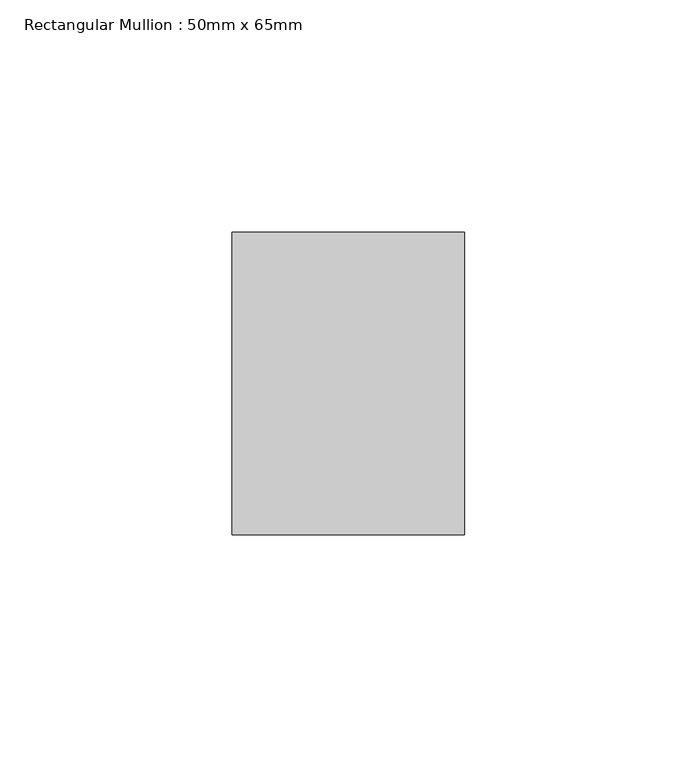
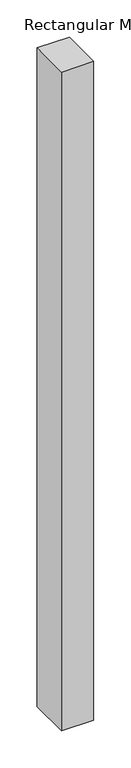
"""IFC4 building model written with IfcOpenShell, lengths in millimetres: member geometry, Rectangular Mullion : 50mm x 65mm."""

from ifc_helpers import new_model, si_unit, frame, origin, place, context, project, spatial, polyline, outline, extrude, source, transform, mapped, element, save


def rectangular_mullion_50mm_x_65mm_0cbceb94(model_context):
    return source(origin(), model_context, "Body", "SweptSolid", [
        extrude(outline(polyline([(25.0, 32.5), (25.0, -32.5), (-25.0, -32.5), (-25.0, 32.5), (25.0, 32.5)])), frame((0.0, 0.0, -1078.0451372), z_axis=(0.0, 0.0, 1.0), x_axis=(1.0, 0.0, 0.0)), (0.0, 0.0, 1.0), 1078.0451372),
    ])


if __name__ == "__main__":
    model = new_model("IFC4")
    model_context = context("Model", 3, world=origin())
    ifc_project = project(units=[si_unit("LENGTHUNIT", "METRE", prefix="MILLI")], contexts=[model_context])
    site = spatial("IfcSite", under=ifc_project)
    building = spatial("IfcBuilding", under=site)
    placement = place(None, origin())
    rectangular_mullion_50mm_x_65mm_shape = rectangular_mullion_50mm_x_65mm_0cbceb94(model_context)
    element("IfcMember", 1, ObjectType="Rectangular Mullion : 50mm x 65mm", at=placement, inside=building, context=model_context, shape_type="MappedRepresentation", body=[
        mapped(rectangular_mullion_50mm_x_65mm_shape, transform((0.0, 0.0, 0.0), x_axis=(1.0, 0.0, 0.0), y_axis=(0.0, 1.0, 0.0), z_axis=(0.0, 0.0, 1.0))),
    ])
    save(model, "model.ifc")
